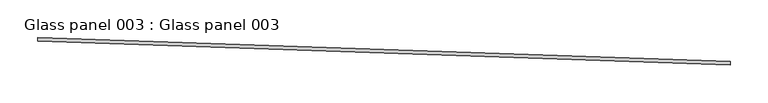
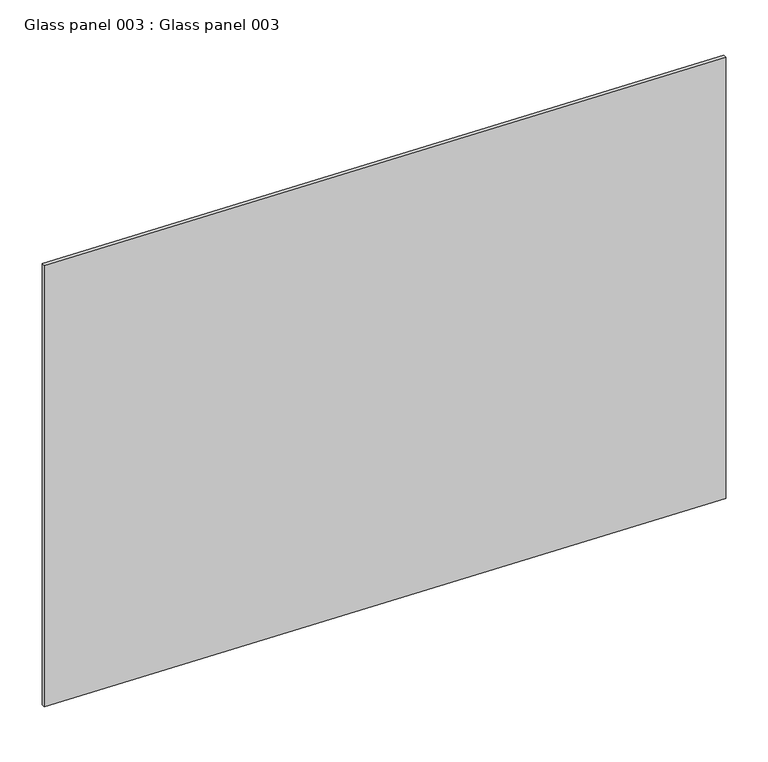
"""IFC4 building model written with IfcOpenShell, lengths in millimetres: proxy geometry, Glass panel 003 : Glass panel 003."""

from ifc_helpers import new_model, si_unit, frame, origin, place, context, project, spatial, polyline, outline, extrude, source, transform, mapped, element, save


def glass_panel_003_glass_panel_003_5aa27e5f(model_context):
    return source(origin(), model_context, "Body", "SweptSolid", [
        extrude(outline(polyline([(34356.0522476, -15436.6361354), (34355.8893616, -15441.3958491), (33442.0243333, -15410.1217398), (33442.1872192, -15405.3620261), (34356.0522476, -15436.6361354)])), frame((0.0, 0.0, 2242.000394), z_axis=(0.0, 0.0, 1.0), x_axis=(1.0, 0.0, 0.0)), (0.0, 0.0, 1.0), 638.3498013),
    ])


if __name__ == "__main__":
    model = new_model("IFC4")
    model_context = context("Model", 3, world=origin())
    ifc_project = project(units=[si_unit("LENGTHUNIT", "METRE", prefix="MILLI")], contexts=[model_context])
    site = spatial("IfcSite", under=ifc_project)
    building = spatial("IfcBuilding", under=site)
    placement = place(None, origin())
    glass_panel_003_glass_panel_003_shape = glass_panel_003_glass_panel_003_5aa27e5f(model_context)
    element("IfcBuildingElementProxy", 1, Name="Glass panel 003 : Glass panel 003", ObjectType="Glass panel 003 : Glass panel 003", at=placement, inside=building, context=model_context, shape_type="MappedRepresentation", body=[
        mapped(glass_panel_003_glass_panel_003_shape, transform((0.0, 0.0, 0.0), x_axis=(1.0, 0.0, 0.0), y_axis=(0.0, 1.0, 0.0), z_axis=(0.0, 0.0, 1.0))),
    ])
    save(model, "model.ifc")
